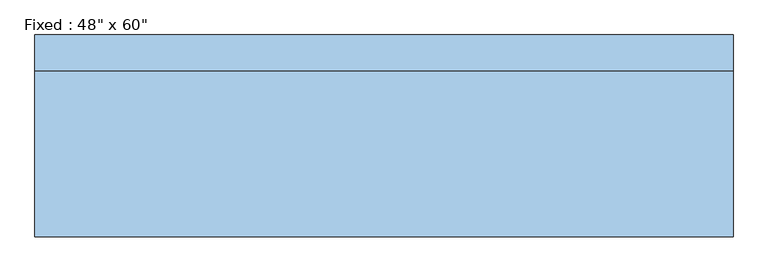
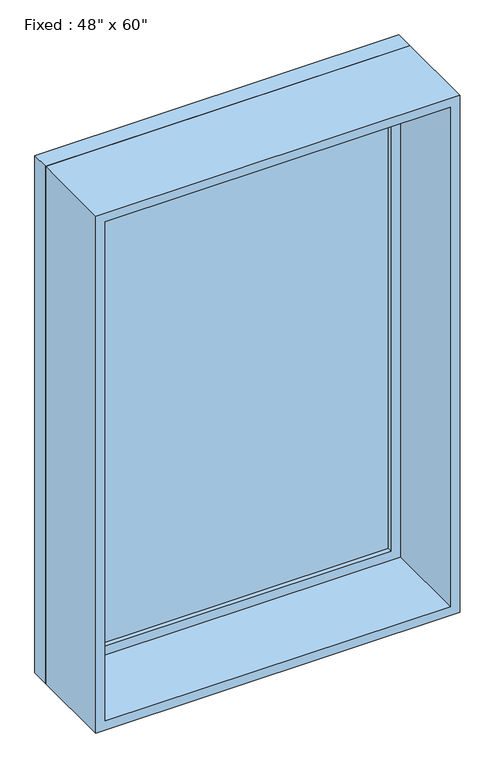
"""IFC4 building model written with IfcOpenShell, lengths in millimetres: window geometry."""

from ifc_helpers import new_model, si_unit, frame, origin, place, context, project, spatial, polyline, outline, extrude, source, transform, mapped, element, save


def window_84e89af7(model_context):
    return source(origin(), model_context, "Body", "SweptSolid", [
        extrude(outline(polyline([(508.0, 128.5875), (-584.2, 128.5875), (-584.2, 141.2875), (508.0, 141.2875), (508.0, 128.5875)])), frame((0.0, 0.0, 977.9), z_axis=(0.0, 0.0, 1.0), x_axis=(1.0, 0.0, 0.0)), (0.0, 0.0, 1.0), 1701.8),
        extrude(outline(polyline([(2724.15, -628.65), (933.45, -628.65), (933.45, 552.45), (2724.15, 552.45), (2724.15, -628.65)]), holes=[polyline([(2679.7, -584.2), (2679.7, 508.0), (977.9, 508.0), (977.9, -584.2), (2679.7, -584.2)])]), frame((0.0, 112.7125, 0.0), z_axis=(0.0, 1.0, 0.0), x_axis=(0.0, 0.0, 1.0)), (0.0, 0.0, 1.0), 44.45),
        extrude(outline(polyline([(2743.2, -647.7), (914.4, -647.7), (914.4, 571.5), (2743.2, 571.5), (2743.2, -647.7)]), holes=[polyline([(2711.45, -615.95), (2711.45, 539.75), (946.15, 539.75), (946.15, -615.95), (2711.45, -615.95)])]), frame((0.0, -176.2125, 0.0), z_axis=(0.0, 1.0, 0.0), x_axis=(0.0, 0.0, 1.0)), (0.0, 0.0, 1.0), 288.925),
        extrude(outline(polyline([(2743.2, 571.5), (2743.2, -647.7), (914.4, -647.7), (914.4, 571.5), (2743.2, 571.5)]), holes=[polyline([(2724.15, 552.45), (933.45, 552.45), (933.45, -628.65), (2724.15, -628.65), (2724.15, 552.45)])]), frame((0.0, 112.7125, 0.0), z_axis=(0.0, 1.0, 0.0), x_axis=(0.0, 0.0, 1.0)), (0.0, 0.0, 1.0), 63.5),
    ])


if __name__ == "__main__":
    model = new_model("IFC4")
    model_context = context("Model", 3, world=origin())
    ifc_project = project(units=[si_unit("LENGTHUNIT", "METRE", prefix="MILLI")], contexts=[model_context])
    site = spatial("IfcSite", under=ifc_project)
    building = spatial("IfcBuilding", under=site)
    placement = place(None, origin())
    window_shape = window_84e89af7(model_context)
    element("IfcWindow", 1, ObjectType="Fixed : 48\" x 60\"", at=placement, inside=building, context=model_context, shape_type="MappedRepresentation", body=[
        mapped(window_shape, transform((0.0, 0.0, 0.0), x_axis=(1.0, 0.0, 0.0), y_axis=(0.0, 1.0, 0.0), z_axis=(0.0, 0.0, 1.0))),
    ])
    save(model, "model.ifc")
